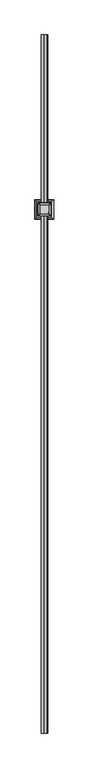
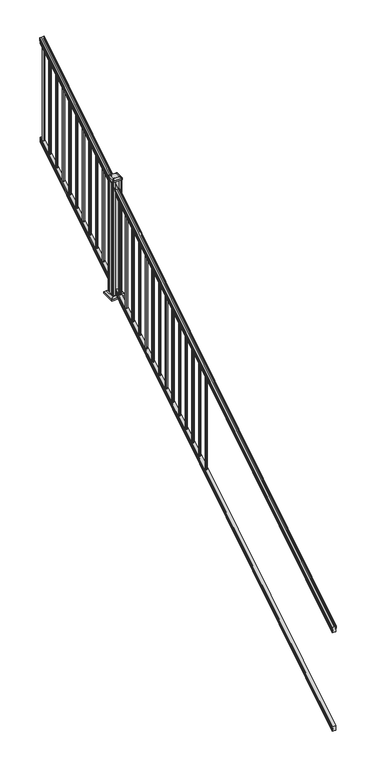
"""IFC4 building model written with IfcOpenShell, lengths in millimetres: railing geometry."""

from ifc_helpers import new_model, si_unit, point, frame, frame_2d, origin, place, context, project, spatial, polyline, circle_curve, ellipse_curve, trimmed, segment, composite_curve, outline, extrude, faceted_brep, source, transform, mapped, element, save
from ifc_brep_helpers import plane_surface, cylinder_surface, revolved_surface, extruded_surface, advanced_brep


def railing_dff19bda(model_context):
    return source(origin(), model_context, "Body", "SolidModel", [
        advanced_brep(
        [(8986.6270946, -16813.8194681, 1285.6070492), (8986.6270946, -16813.8194681, 1287.8335658), (8987.7572809, -16813.8194681, 1289.6758543), (8987.7572809, -16813.8194681, 1298.1876358), (8987.1080245, -16813.8194681, 1301.0572588), (8989.6080245, -16813.8194681, 1306.1635509), (8991.017367, -16813.8194681, 1308.1442021), (8991.419266, -16813.8194681, 1309.4469579), (8991.4192659, -16813.8194681, 1311.0274846), (8989.8658186, -16813.8194681, 1312.8593836), (8969.1942659, -16813.8194681, 1312.8593836), (8948.5227131, -16813.8194681, 1312.8593836), (8946.9692659, -16813.8194681, 1311.0274846), (8946.9692659, -16813.8194681, 1309.4469579), (8947.3711648, -16813.8194681, 1308.1442021), (8948.7805072, -16813.8194681, 1306.1635509), (8951.2805072, -16813.8194681, 1301.0572588), (8950.6312508, -16813.8194681, 1298.1876358), (8950.6312508, -16813.8194681, 1289.6758543), (8951.7614371, -16813.8194681, 1287.8335658), (8951.7614371, -16813.8194681, 1285.6070492), (8954.3352659, -16813.8194681, 1285.6070492), (8954.3352659, -16813.8194681, 1273.225537), (8953.3192659, -16813.8194681, 1272.0274214), (8953.3192659, -16813.8194681, 1257.3), (8985.0692659, -16813.8194681, 1257.3), (8985.0692659, -16813.8194681, 1271.841318), (8984.0532659, -16813.8194681, 1273.0394336), (8984.0532659, -16813.8194681, 1285.6070492), (8986.6270946, -11937.0194681, 4333.6070492), (8984.0532659, -11937.0194681, 4333.6070492), (8984.0532659, -11937.0194681, 4321.0394336), (8985.0692659, -11937.0194681, 4319.841318), (8985.0692659, -11937.0194681, 4305.3), (8953.3192659, -11937.0194681, 4305.3), (8953.3192659, -11937.0194681, 4320.0274214), (8954.3352659, -11937.0194681, 4321.225537), (8954.3352659, -11937.0194681, 4333.6070492), (8951.7614371, -11937.0194681, 4333.6070492), (8951.7614371, -11937.0194681, 4335.8335658), (8950.6312508, -11937.0194681, 4337.6758543), (8950.6312508, -11937.0194681, 4346.1876358), (8951.2805072, -11937.0194681, 4349.0572588), (8948.7805072, -11937.0194681, 4354.1635509), (8947.3711648, -11937.0194681, 4356.1442021), (8946.9692658, -11937.0194681, 4357.4469579), (8946.9692659, -11937.0194681, 4359.0274846), (8948.5227131, -11937.0194681, 4360.8593836), (8969.1942659, -11937.0194681, 4360.8593836), (8989.8658186, -11937.0194681, 4360.8593836), (8991.4192659, -11937.0194681, 4359.0274846), (8991.4192659, -11937.0194681, 4357.4469579), (8991.017367, -11937.0194681, 4356.1442021), (8989.6080245, -11937.0194681, 4354.1635509), (8987.1080245, -11937.0194681, 4349.0572588), (8987.7572809, -11937.0194681, 4346.1876358), (8987.7572809, -11937.0194681, 4337.6758543), (8986.6270946, -11937.0194681, 4335.8335658)],
        [
            (0, 1),
            (1, 2, ellipse_curve(frame((8980.3123413, -16813.8194681, 1294.6239405), z_axis=(0.0, -1.0, 0.0), x_axis=(0.0, 0.0, -1.0)), 10.0777926, 8.545951)),
            (2, 3, ellipse_curve(frame((8980.7494043, -16813.8194681, 1293.9317451), z_axis=(0.0, -1.0, 0.0), x_axis=(0.0, 0.0, -1.0)), 9.2955186, 7.882584)),
            (3, 4, ellipse_curve(frame((8991.2627284, -16813.8194681, 1300.8275077), z_axis=(0.0, 1.0, 0.0), x_axis=(0.0, 0.0, 1.0)), 4.9048088, 4.1592695)),
            (4, 5, ellipse_curve(frame((8992.550035, -16813.8194681, 1300.7563208), z_axis=(0.0, 1.0, 0.0), x_axis=(0.0, 0.0, 1.0)), 6.4245301, 5.4479907)),
            (5, 6, ellipse_curve(frame((8991.3168765, -16813.8194681, 1306.1602333), z_axis=(0.0, 1.0, 0.0), x_axis=(0.0, 0.0, 1.0)), 2.0151625, 1.7088543)),
            (6, 7, ellipse_curve(frame((8989.6999764, -16813.8194681, 1309.4469579), z_axis=(0.0, -1.0, 0.0), x_axis=(0.0, 0.0, -1.0)), 2.0274681, 1.7192895)),
            (7, 8),
            (8, 9, ellipse_curve(frame((8989.8658186, -16813.8194681, 1311.0274846), z_axis=(0.0, -1.0, 0.0), x_axis=(0.0, 0.0, -1.0)), 1.831899, 1.5534472)),
            (9, 10),
            (10, 11),
            (11, 12, ellipse_curve(frame((8948.5227131, -16813.8194681, 1311.0274846), z_axis=(0.0, -1.0, 0.0), x_axis=(0.0, 0.0, -1.0)), 1.831899, 1.5534472)),
            (12, 13),
            (13, 14, ellipse_curve(frame((8948.6885553, -16813.8194681, 1309.4469579), z_axis=(0.0, -1.0, 0.0), x_axis=(0.0, 0.0, -1.0)), 2.0274681, 1.7192895)),
            (14, 15, ellipse_curve(frame((8947.0716552, -16813.8194681, 1306.1602333), z_axis=(0.0, 1.0, 0.0), x_axis=(0.0, 0.0, 1.0)), 2.0151625, 1.7088543)),
            (15, 16, ellipse_curve(frame((8945.8384968, -16813.8194681, 1300.7563208), z_axis=(0.0, 1.0, 0.0), x_axis=(0.0, 0.0, 1.0)), 6.4245301, 5.4479907)),
            (16, 17, ellipse_curve(frame((8947.1258033, -16813.8194681, 1300.8275077), z_axis=(0.0, 1.0, 0.0), x_axis=(0.0, 0.0, 1.0)), 4.9048088, 4.1592695)),
            (17, 18, ellipse_curve(frame((8957.6391275, -16813.8194681, 1293.9317451), z_axis=(0.0, -1.0, 0.0), x_axis=(0.0, 0.0, -1.0)), 9.2955186, 7.882584)),
            (18, 19, ellipse_curve(frame((8958.0761904, -16813.8194681, 1294.6239405), z_axis=(0.0, -1.0, 0.0), x_axis=(0.0, 0.0, -1.0)), 10.0777926, 8.545951)),
            (19, 20),
            (20, 21, ellipse_curve(frame((8953.0483515, -16813.8194681, 1285.6070492), z_axis=(0.0, -1.0, 0.0), x_axis=(0.0, 0.0, -1.0)), 1.5175907, 1.2869144)),
            (21, 22),
            (22, 23),
            (23, 24),
            (24, 25),
            (25, 26),
            (26, 27),
            (27, 28),
            (28, 0, ellipse_curve(frame((8985.3401802, -16813.8194681, 1285.6070492), z_axis=(0.0, -1.0, 0.0), x_axis=(0.0, 0.0, -1.0)), 1.5175907, 1.2869144)),
            (29, 30, ellipse_curve(frame((8985.3401802, -11937.0194681, 4333.6070492), z_axis=(0.0, 1.0, 0.0), x_axis=(0.0, 0.0, -1.0)), 1.5175907, 1.2869144)),
            (30, 31),
            (31, 32),
            (32, 33),
            (33, 34),
            (34, 35),
            (35, 36),
            (36, 37),
            (37, 38, ellipse_curve(frame((8953.0483515, -11937.0194681, 4333.6070492), z_axis=(0.0, 1.0, 0.0), x_axis=(0.0, 0.0, -1.0)), 1.5175907, 1.2869144)),
            (38, 39),
            (39, 40, ellipse_curve(frame((8958.0761904, -11937.0194681, 4342.6239405), z_axis=(0.0, 1.0, 0.0), x_axis=(0.0, 0.0, -1.0)), 10.0777926, 8.545951)),
            (40, 41, ellipse_curve(frame((8957.6391275, -11937.0194681, 4341.9317451), z_axis=(0.0, 1.0, 0.0), x_axis=(0.0, 0.0, -1.0)), 9.2955186, 7.882584)),
            (41, 42, ellipse_curve(frame((8947.1258033, -11937.0194681, 4348.8275077), z_axis=(0.0, -1.0, 0.0), x_axis=(0.0, 0.0, 1.0)), 4.9048088, 4.1592695)),
            (42, 43, ellipse_curve(frame((8945.8384968, -11937.0194681, 4348.7563208), z_axis=(0.0, -1.0, 0.0), x_axis=(0.0, 0.0, 1.0)), 6.4245301, 5.4479907)),
            (43, 44, ellipse_curve(frame((8947.0716552, -11937.0194681, 4354.1602333), z_axis=(0.0, -1.0, 0.0), x_axis=(0.0, 0.0, 1.0)), 2.0151625, 1.7088543)),
            (44, 45, ellipse_curve(frame((8948.6885553, -11937.0194681, 4357.4469579), z_axis=(0.0, 1.0, 0.0), x_axis=(0.0, 0.0, -1.0)), 2.0274681, 1.7192895)),
            (45, 46),
            (46, 47, ellipse_curve(frame((8948.5227131, -11937.0194681, 4359.0274846), z_axis=(0.0, 1.0, 0.0), x_axis=(0.0, 0.0, -1.0)), 1.831899, 1.5534472)),
            (47, 48),
            (48, 49),
            (49, 50, ellipse_curve(frame((8989.8658186, -11937.0194681, 4359.0274846), z_axis=(0.0, 1.0, 0.0), x_axis=(0.0, 0.0, -1.0)), 1.831899, 1.5534472)),
            (50, 51),
            (51, 52, ellipse_curve(frame((8989.6999764, -11937.0194681, 4357.4469579), z_axis=(0.0, 1.0, 0.0), x_axis=(0.0, 0.0, -1.0)), 2.0274681, 1.7192895)),
            (52, 53, ellipse_curve(frame((8991.3168765, -11937.0194681, 4354.1602333), z_axis=(0.0, -1.0, 0.0), x_axis=(0.0, 0.0, 1.0)), 2.0151625, 1.7088543)),
            (53, 54, ellipse_curve(frame((8992.550035, -11937.0194681, 4348.7563208), z_axis=(0.0, -1.0, 0.0), x_axis=(0.0, 0.0, 1.0)), 6.4245301, 5.4479907)),
            (54, 55, ellipse_curve(frame((8991.2627284, -11937.0194681, 4348.8275077), z_axis=(0.0, -1.0, 0.0), x_axis=(0.0, 0.0, 1.0)), 4.9048088, 4.1592695)),
            (55, 56, ellipse_curve(frame((8980.7494043, -11937.0194681, 4341.9317451), z_axis=(0.0, 1.0, 0.0), x_axis=(0.0, 0.0, -1.0)), 9.2955186, 7.882584)),
            (56, 57, ellipse_curve(frame((8980.3123413, -11937.0194681, 4342.6239405), z_axis=(0.0, 1.0, 0.0), x_axis=(0.0, 0.0, -1.0)), 10.0777926, 8.545951)),
            (57, 29),
            (0, 29),
            (57, 1),
            (56, 2),
            (55, 3),
            (54, 4),
            (53, 5),
            (52, 6),
            (51, 7),
            (50, 8),
            (49, 9),
            (48, 10),
            (47, 11),
            (46, 12),
            (45, 13),
            (44, 14),
            (43, 15),
            (42, 16),
            (41, 17),
            (40, 18),
            (39, 19),
            (38, 20),
            (37, 21),
            (36, 22),
            (35, 23),
            (34, 24),
            (33, 25),
            (32, 26),
            (31, 27),
            (30, 28),
        ],
        [
            plane_surface(frame((8969.1942659, -16813.8194681, 1257.3), z_axis=(0.0, -1.0, 0.0), x_axis=(0.0, 0.0, 1.0))),
            plane_surface(frame((8969.1942659, -11937.0194681, 4305.3), z_axis=(0.0, 1.0, 0.0), x_axis=(0.0, 0.0, 1.0))),
            plane_surface(frame((8986.6270946, -16813.8194681, 1285.6070492), z_axis=(1.0, 0.0, 0.0), x_axis=(0.0, 0.8479983040051253, 0.5299989400031202))),
            cylinder_surface(frame((8980.3123413, -16830.5942728, 1284.1396876), z_axis=(0.0, -0.8479983040051254, -0.5299989400031202), x_axis=(-1.0, 0.0, 0.0)), 8.545951),
            cylinder_surface(frame((8980.7494043, -16830.2831737, 1283.641929), z_axis=(0.0, -0.8479983040051254, -0.5299989400031202), x_axis=(-1.0, 0.0, 0.0)), 7.882584),
            revolved_surface(polyline([(8987.1034589, -11934.815059650346, 4350.205262980553), (8987.1034589, -16816.023876549436, 1299.4497524191004)]), (8991.2627284, -16833.3823929, 1288.6006797), (0.0, 0.8479983040051254, 0.5299989400031202)),
            revolved_surface(polyline([(8987.1020443, -11934.132038835738, 4350.560964077184), (8987.1020443, -16816.706897352808, 1298.9516775044945)]), (8992.550035, -16833.3503988, 1288.5494891), (0.0, 0.8479983040051254, 0.5299989400031202)),
            revolved_surface(polyline([(8989.608022199998, -11936.113777099781, 4354.7262901996555), (8989.608022199998, -16814.72515912247, 1305.5941764359545)]), (8991.3168765, -16835.7791235, 1292.4354487), (0.0, 0.8479983040051254, 0.5299989400031202)),
            cylinder_surface(frame((8989.6999764, -16837.2563031, 1294.798936), z_axis=(0.0, -0.8479983040051254, -0.5299989400031202), x_axis=(-1.0, 0.0, 0.0)), 1.7192895),
            plane_surface(frame((8991.4192659, -16813.8194681, 1309.4469579), z_axis=(1.0, 0.0, 0.0), x_axis=(0.0, 0.8479983040051254, 0.5299989400031201))),
            cylinder_surface(frame((8989.8658186, -16837.9666522, 1295.9354945), z_axis=(0.0, -0.8479983040051254, -0.5299989400031202), x_axis=(-1.0, 0.0, 0.0)), 1.5534472),
            plane_surface(frame((8989.8658186, -16813.8194681, 1312.8593836), z_axis=(0.0, -0.5299989400031202, 0.8479983040051254), x_axis=(0.0, 0.8479983040051254, 0.5299989400031202))),
            plane_surface(frame((8969.1942659, -16813.8194681, 1312.8593836), z_axis=(0.0, -0.5299989400031202, 0.8479983040051254), x_axis=(0.0, 0.8479983040051254, 0.5299989400031202))),
            cylinder_surface(frame((8948.5227131, -16837.9666522, 1295.9354945), z_axis=(0.0, -0.8479983040051254, -0.5299989400031202), x_axis=(1.0, 0.0, 0.0)), 1.5534472),
            plane_surface(frame((8946.9692659, -16813.8194681, 1311.0274846), z_axis=(-1.0, 0.0, 0.0), x_axis=(0.0, 0.8479983040051254, 0.5299989400031202))),
            cylinder_surface(frame((8948.6885553, -16837.2563031, 1294.798936), z_axis=(0.0, -0.8479983040051254, -0.5299989400031202), x_axis=(1.0, 0.0, 0.0)), 1.7192895),
            revolved_surface(polyline([(8948.7805095, -11936.113777099781, 4354.7262901996555), (8948.7805095, -16814.72515912247, 1305.5941764359545)]), (8947.0716552, -16835.7791235, 1292.4354487), (0.0, 0.8479983040051254, 0.5299989400031202)),
            revolved_surface(polyline([(8951.2864875, -11934.132038835738, 4350.560964077184), (8951.2864875, -16816.706897352808, 1298.9516775044945)]), (8945.8384968, -16833.3503988, 1288.5494891), (0.0, 0.8479983040051254, 0.5299989400031202)),
            revolved_surface(polyline([(8951.2850728, -11934.815059650346, 4350.205262980553), (8951.2850728, -16816.023876549436, 1299.4497524191004)]), (8947.1258033, -16833.3823929, 1288.6006797), (0.0, 0.8479983040051254, 0.5299989400031202)),
            cylinder_surface(frame((8957.6391275, -16830.2831737, 1283.641929), z_axis=(0.0, -0.8479983040051254, -0.5299989400031202), x_axis=(1.0, 0.0, 0.0)), 7.882584),
            cylinder_surface(frame((8958.0761904, -16830.5942728, 1284.1396876), z_axis=(0.0, -0.8479983040051254, -0.5299989400031202), x_axis=(1.0, 0.0, 0.0)), 8.545951),
            plane_surface(frame((8951.7614371, -16813.8194681, 1287.8335658), z_axis=(-1.0, 0.0, 0.0), x_axis=(0.0, 0.8479983040051254, 0.5299989400031202))),
            cylinder_surface(frame((8953.0483515, -16826.5417374, 1277.6556309), z_axis=(0.0, -0.8479983040051254, -0.5299989400031202), x_axis=(1.0, 0.0, 0.0)), 1.2869144),
            plane_surface(frame((8954.3352659, -16813.8194681, 1285.6070492), z_axis=(-1.0, 0.0, 0.0), x_axis=(0.0, 0.8479983040051253, 0.5299989400031202))),
            plane_surface(frame((8954.3352659, -16813.8194681, 1273.225537), z_axis=(-0.7071067811865437, -0.37476584449788963, 0.5996253511967193), x_axis=(0.0, 0.8479983040051254, 0.5299989400031201))),
            plane_surface(frame((8953.3192659, -16813.8194681, 1272.0274214), z_axis=(-1.0, 0.0, 0.0), x_axis=(0.0, 0.8479983040051254, 0.5299989400031201))),
            plane_surface(frame((8953.3192659, -16813.8194681, 1257.3), z_axis=(0.0, 0.5299989400031201, -0.8479983040051254), x_axis=(0.0, 0.8479983040051254, 0.5299989400031201))),
            plane_surface(frame((8985.0692659, -16813.8194681, 1257.3), z_axis=(1.0, 0.0, 0.0), x_axis=(0.0, 0.8479983040051254, 0.5299989400031201))),
            plane_surface(frame((8985.0692659, -16813.8194681, 1271.841318), z_axis=(0.707106781186539, -0.37476584449789385, 0.5996253511967226), x_axis=(0.0, 0.8479983040051254, 0.5299989400031202))),
            plane_surface(frame((8984.0532659, -16813.8194681, 1273.0394336), z_axis=(1.0, 0.0, 0.0), x_axis=(0.0, 0.8479983040051253, 0.5299989400031202))),
            cylinder_surface(frame((8985.3401802, -16826.5417374, 1277.6556309), z_axis=(0.0, -0.8479983040051254, -0.5299989400031202), x_axis=(-1.0, 0.0, 0.0)), 1.2869144),
        ],
        [
            (0, [[1, 2, 3, 4, 5, 6, 7, 8, 9, 10, 11, 12, 13, 14, 15, 16, 17, 18, 19, 20, 21, 22, 23, 24, 25, 26, 27, 28, 29]]),
            (1, [[30, 31, 32, 33, 34, 35, 36, 37, 38, 39, 40, 41, 42, 43, 44, 45, 46, 47, 48, 49, 50, 51, 52, 53, 54, 55, 56, 57, 58]]),
            (2, [[-1, 59, -58, 60]]),
            (3, [[-2, -60, -57, 61]]),
            (4, [[-3, -61, -56, 62]]),
            (5, [[-4, -62, -55, 63]]),
            (6, [[-5, -63, -54, 64]]),
            (7, [[-6, -64, -53, 65]]),
            (8, [[-7, -65, -52, 66]]),
            (9, [[-8, -66, -51, 67]]),
            (10, [[-9, -67, -50, 68]]),
            (11, [[-10, -68, -49, 69]]),
            (12, [[-11, -69, -48, 70]]),
            (13, [[-12, -70, -47, 71]]),
            (14, [[-13, -71, -46, 72]]),
            (15, [[-14, -72, -45, 73]]),
            (16, [[-15, -73, -44, 74]]),
            (17, [[-16, -74, -43, 75]]),
            (18, [[-17, -75, -42, 76]]),
            (19, [[-18, -76, -41, 77]]),
            (20, [[-19, -77, -40, 78]]),
            (21, [[-20, -78, -39, 79]]),
            (22, [[-21, -79, -38, 80]]),
            (23, [[-22, -80, -37, 81]]),
            (24, [[-23, -81, -36, 82]]),
            (25, [[-24, -82, -35, 83]]),
            (26, [[-25, -83, -34, 84]]),
            (27, [[-26, -84, -33, 85]]),
            (28, [[-27, -85, -32, 86]]),
            (29, [[-28, -86, -31, 87]]),
            (30, [[-29, -87, -30, -59]]),
        ],
    ),
        faceted_brep([(8985.1067528, -16813.8194681, 268.8045079), (8984.0907528, -16813.8194681, 270.338026), (8984.0907528, -16813.8194681, 282.5545048), (8985.1067528, -16813.8194681, 284.1444579), (8985.1067528, -16813.8194681, 298.9244744), (8953.3567528, -16813.8194681, 298.9244744), (8953.3567528, -16813.8194681, 284.1248272), (8954.3727528, -16813.8194681, 282.5348741), (8954.3727528, -16813.8194681, 270.3748303), (8953.3567528, -16813.8194681, 268.7848772), (8953.3567528, -16813.8194681, 254.0), (8985.1067528, -16813.8194681, 254.0), (8985.1067528, -11937.0194681, 3316.8045079), (8985.1067528, -11937.0194681, 3302.0), (8953.3567528, -11937.0194681, 3302.0), (8953.3567528, -11937.0194681, 3316.7848772), (8954.3727528, -11937.0194681, 3318.3748303), (8954.3727528, -11937.0194681, 3330.5348741), (8953.3567528, -11937.0194681, 3332.1248272), (8953.3567528, -11937.0194681, 3346.9244744), (8985.1067528, -11937.0194681, 3346.9244744), (8985.1067528, -11937.0194681, 3332.1444579), (8984.0907528, -11937.0194681, 3330.5545048), (8984.0907528, -11937.0194681, 3318.338026)], [[[0, 1, 2, 3, 4, 5, 6, 7, 8, 9, 10, 11]], [[12, 13, 14, 15, 16, 17, 18, 19, 20, 21, 22, 23]], [[1, 0, 12, 23]], [[2, 1, 23, 22]], [[3, 2, 22, 21]], [[4, 3, 21, 20]], [[5, 4, 20, 19]], [[6, 5, 19, 18]], [[7, 6, 18, 17]], [[8, 7, 17, 16]], [[9, 8, 16, 15]], [[10, 9, 15, 14]], [[11, 10, 14, 13]], [[0, 11, 13, 12]]]),
        extrude(outline(composite_curve([segment(trimmed(circle_curve(frame_2d((8969.1942659, -11964.0069681)), 9.525), [point((8978.7192659, -11964.0069681))], [point((8969.1942659, -11973.5319681))], False, "CARTESIAN"), True, "CONTINUOUS"), segment(trimmed(circle_curve(frame_2d((8969.1942659, -11964.0069681)), 9.525), [point((8969.1942659, -11973.5319681))], [point((8959.6692659, -11964.0069681))], False, "CARTESIAN"), True, "CONTINUOUS"), segment(trimmed(circle_curve(frame_2d((8969.1942659, -11964.0069681)), 9.525), [point((8959.6692659, -11964.0069681))], [point((8969.1942659, -11954.4819681))], False, "CARTESIAN"), True, "CONTINUOUS"), segment(trimmed(circle_curve(frame_2d((8969.1942659, -11964.0069681)), 9.525), [point((8969.1942659, -11954.4819681))], [point((8978.7192659, -11964.0069681))], False, "CARTESIAN"), True, "CONTINUOUS")], self_intersect=False)), frame((0.0, 0.0, 3323.2286906), z_axis=(0.0, 0.0, 1.0), x_axis=(1.0, 0.0, 0.0)), (0.0, 0.0, 1.0), 965.2041219),
        extrude(outline(composite_curve([segment(trimmed(circle_curve(frame_2d((8969.1942659, -12075.1319681)), 9.525), [point((8978.7192659, -12075.1319681))], [point((8969.1942659, -12084.6569681))], False, "CARTESIAN"), True, "CONTINUOUS"), segment(trimmed(circle_curve(frame_2d((8969.1942659, -12075.1319681)), 9.525), [point((8969.1942659, -12084.6569681))], [point((8959.6692659, -12075.1319681))], False, "CARTESIAN"), True, "CONTINUOUS"), segment(trimmed(circle_curve(frame_2d((8969.1942659, -12075.1319681)), 9.525), [point((8959.6692659, -12075.1319681))], [point((8969.1942659, -12065.6069681))], False, "CARTESIAN"), True, "CONTINUOUS"), segment(trimmed(circle_curve(frame_2d((8969.1942659, -12075.1319681)), 9.525), [point((8969.1942659, -12065.6069681))], [point((8978.7192659, -12075.1319681))], False, "CARTESIAN"), True, "CONTINUOUS")], self_intersect=False)), frame((0.0, 0.0, 3253.7755656), z_axis=(0.0, 0.0, 1.0), x_axis=(1.0, 0.0, 0.0)), (0.0, 0.0, 1.0), 965.2041219),
        extrude(outline(composite_curve([segment(trimmed(circle_curve(frame_2d((8969.1942659, -12186.2569681)), 9.525), [point((8978.7192659, -12186.2569681))], [point((8969.1942659, -12195.7819681))], False, "CARTESIAN"), True, "CONTINUOUS"), segment(trimmed(circle_curve(frame_2d((8969.1942659, -12186.2569681)), 9.525), [point((8969.1942659, -12195.7819681))], [point((8959.6692659, -12186.2569681))], False, "CARTESIAN"), True, "CONTINUOUS"), segment(trimmed(circle_curve(frame_2d((8969.1942659, -12186.2569681)), 9.525), [point((8959.6692659, -12186.2569681))], [point((8969.1942659, -12176.7319681))], False, "CARTESIAN"), True, "CONTINUOUS"), segment(trimmed(circle_curve(frame_2d((8969.1942659, -12186.2569681)), 9.525), [point((8969.1942659, -12176.7319681))], [point((8978.7192659, -12186.2569681))], False, "CARTESIAN"), True, "CONTINUOUS")], self_intersect=False)), frame((0.0, 0.0, 3184.3224406), z_axis=(0.0, 0.0, 1.0), x_axis=(1.0, 0.0, 0.0)), (0.0, 0.0, 1.0), 965.2041219),
        extrude(outline(composite_curve([segment(trimmed(circle_curve(frame_2d((8969.1942659, -12297.3819681)), 9.525), [point((8978.7192659, -12297.3819681))], [point((8969.1942659, -12306.9069681))], False, "CARTESIAN"), True, "CONTINUOUS"), segment(trimmed(circle_curve(frame_2d((8969.1942659, -12297.3819681)), 9.525), [point((8969.1942659, -12306.9069681))], [point((8959.6692659, -12297.3819681))], False, "CARTESIAN"), True, "CONTINUOUS"), segment(trimmed(circle_curve(frame_2d((8969.1942659, -12297.3819681)), 9.525), [point((8959.6692659, -12297.3819681))], [point((8969.1942659, -12287.8569681))], False, "CARTESIAN"), True, "CONTINUOUS"), segment(trimmed(circle_curve(frame_2d((8969.1942659, -12297.3819681)), 9.525), [point((8969.1942659, -12287.8569681))], [point((8978.7192659, -12297.3819681))], False, "CARTESIAN"), True, "CONTINUOUS")], self_intersect=False)), frame((0.0, 0.0, 3114.8693156), z_axis=(0.0, 0.0, 1.0), x_axis=(1.0, 0.0, 0.0)), (0.0, 0.0, 1.0), 965.2041219),
        extrude(outline(composite_curve([segment(trimmed(circle_curve(frame_2d((8969.1942659, -12408.5069681)), 9.525), [point((8978.7192659, -12408.5069681))], [point((8969.1942659, -12418.0319681))], False, "CARTESIAN"), True, "CONTINUOUS"), segment(trimmed(circle_curve(frame_2d((8969.1942659, -12408.5069681)), 9.525), [point((8969.1942659, -12418.0319681))], [point((8959.6692659, -12408.5069681))], False, "CARTESIAN"), True, "CONTINUOUS"), segment(trimmed(circle_curve(frame_2d((8969.1942659, -12408.5069681)), 9.525), [point((8959.6692659, -12408.5069681))], [point((8969.1942659, -12398.9819681))], False, "CARTESIAN"), True, "CONTINUOUS"), segment(trimmed(circle_curve(frame_2d((8969.1942659, -12408.5069681)), 9.525), [point((8969.1942659, -12398.9819681))], [point((8978.7192659, -12408.5069681))], False, "CARTESIAN"), True, "CONTINUOUS")], self_intersect=False)), frame((0.0, 0.0, 3045.4161906), z_axis=(0.0, 0.0, 1.0), x_axis=(1.0, 0.0, 0.0)), (0.0, 0.0, 1.0), 965.2041219),
        extrude(outline(composite_curve([segment(trimmed(circle_curve(frame_2d((8969.1942659, -12519.6319681)), 9.525), [point((8978.7192659, -12519.6319681))], [point((8969.1942659, -12529.1569681))], False, "CARTESIAN"), True, "CONTINUOUS"), segment(trimmed(circle_curve(frame_2d((8969.1942659, -12519.6319681)), 9.525), [point((8969.1942659, -12529.1569681))], [point((8959.6692659, -12519.6319681))], False, "CARTESIAN"), True, "CONTINUOUS"), segment(trimmed(circle_curve(frame_2d((8969.1942659, -12519.6319681)), 9.525), [point((8959.6692659, -12519.6319681))], [point((8969.1942659, -12510.1069681))], False, "CARTESIAN"), True, "CONTINUOUS"), segment(trimmed(circle_curve(frame_2d((8969.1942659, -12519.6319681)), 9.525), [point((8969.1942659, -12510.1069681))], [point((8978.7192659, -12519.6319681))], False, "CARTESIAN"), True, "CONTINUOUS")], self_intersect=False)), frame((0.0, 0.0, 2975.9630656), z_axis=(0.0, 0.0, 1.0), x_axis=(1.0, 0.0, 0.0)), (0.0, 0.0, 1.0), 965.2041219),
        extrude(outline(composite_curve([segment(trimmed(circle_curve(frame_2d((8969.1942659, -12630.7569681)), 9.525), [point((8978.7192659, -12630.7569681))], [point((8969.1942659, -12640.2819681))], False, "CARTESIAN"), True, "CONTINUOUS"), segment(trimmed(circle_curve(frame_2d((8969.1942659, -12630.7569681)), 9.525), [point((8969.1942659, -12640.2819681))], [point((8959.6692659, -12630.7569681))], False, "CARTESIAN"), True, "CONTINUOUS"), segment(trimmed(circle_curve(frame_2d((8969.1942659, -12630.7569681)), 9.525), [point((8959.6692659, -12630.7569681))], [point((8969.1942659, -12621.2319681))], False, "CARTESIAN"), True, "CONTINUOUS"), segment(trimmed(circle_curve(frame_2d((8969.1942659, -12630.7569681)), 9.525), [point((8969.1942659, -12621.2319681))], [point((8978.7192659, -12630.7569681))], False, "CARTESIAN"), True, "CONTINUOUS")], self_intersect=False)), frame((0.0, 0.0, 2906.5099406), z_axis=(0.0, 0.0, 1.0), x_axis=(1.0, 0.0, 0.0)), (0.0, 0.0, 1.0), 965.2041219),
        extrude(outline(composite_curve([segment(trimmed(circle_curve(frame_2d((8969.1942659, -12741.8819681)), 9.525), [point((8978.7192659, -12741.8819681))], [point((8969.1942659, -12751.4069681))], False, "CARTESIAN"), True, "CONTINUOUS"), segment(trimmed(circle_curve(frame_2d((8969.1942659, -12741.8819681)), 9.525), [point((8969.1942659, -12751.4069681))], [point((8959.6692659, -12741.8819681))], False, "CARTESIAN"), True, "CONTINUOUS"), segment(trimmed(circle_curve(frame_2d((8969.1942659, -12741.8819681)), 9.525), [point((8959.6692659, -12741.8819681))], [point((8969.1942659, -12732.3569681))], False, "CARTESIAN"), True, "CONTINUOUS"), segment(trimmed(circle_curve(frame_2d((8969.1942659, -12741.8819681)), 9.525), [point((8969.1942659, -12732.3569681))], [point((8978.7192659, -12741.8819681))], False, "CARTESIAN"), True, "CONTINUOUS")], self_intersect=False)), frame((0.0, 0.0, 2837.0568156), z_axis=(0.0, 0.0, 1.0), x_axis=(1.0, 0.0, 0.0)), (0.0, 0.0, 1.0), 965.2041219),
        extrude(outline(composite_curve([segment(trimmed(circle_curve(frame_2d((8969.1942659, -12853.0069681)), 9.525), [point((8978.7192659, -12853.0069681))], [point((8969.1942659, -12862.5319681))], False, "CARTESIAN"), True, "CONTINUOUS"), segment(trimmed(circle_curve(frame_2d((8969.1942659, -12853.0069681)), 9.525), [point((8969.1942659, -12862.5319681))], [point((8959.6692659, -12853.0069681))], False, "CARTESIAN"), True, "CONTINUOUS"), segment(trimmed(circle_curve(frame_2d((8969.1942659, -12853.0069681)), 9.525), [point((8959.6692659, -12853.0069681))], [point((8969.1942659, -12843.4819681))], False, "CARTESIAN"), True, "CONTINUOUS"), segment(trimmed(circle_curve(frame_2d((8969.1942659, -12853.0069681)), 9.525), [point((8969.1942659, -12843.4819681))], [point((8978.7192659, -12853.0069681))], False, "CARTESIAN"), True, "CONTINUOUS")], self_intersect=False)), frame((0.0, 0.0, 2767.6036906), z_axis=(0.0, 0.0, 1.0), x_axis=(1.0, 0.0, 0.0)), (0.0, 0.0, 1.0), 965.2041219),
        extrude(outline(composite_curve([segment(trimmed(circle_curve(frame_2d((8969.1942659, -12964.1319681)), 9.525), [point((8978.7192659, -12964.1319681))], [point((8969.1942659, -12973.6569681))], False, "CARTESIAN"), True, "CONTINUOUS"), segment(trimmed(circle_curve(frame_2d((8969.1942659, -12964.1319681)), 9.525), [point((8969.1942659, -12973.6569681))], [point((8959.6692659, -12964.1319681))], False, "CARTESIAN"), True, "CONTINUOUS"), segment(trimmed(circle_curve(frame_2d((8969.1942659, -12964.1319681)), 9.525), [point((8959.6692659, -12964.1319681))], [point((8969.1942659, -12954.6069681))], False, "CARTESIAN"), True, "CONTINUOUS"), segment(trimmed(circle_curve(frame_2d((8969.1942659, -12964.1319681)), 9.525), [point((8969.1942659, -12954.6069681))], [point((8978.7192659, -12964.1319681))], False, "CARTESIAN"), True, "CONTINUOUS")], self_intersect=False)), frame((0.0, 0.0, 2698.1505656), z_axis=(0.0, 0.0, 1.0), x_axis=(1.0, 0.0, 0.0)), (0.0, 0.0, 1.0), 965.2041219),
        extrude(outline(composite_curve([segment(trimmed(circle_curve(frame_2d((8969.1942659, -13075.2569681)), 9.525), [point((8978.7192659, -13075.2569681))], [point((8969.1942659, -13084.7819681))], False, "CARTESIAN"), True, "CONTINUOUS"), segment(trimmed(circle_curve(frame_2d((8969.1942659, -13075.2569681)), 9.525), [point((8969.1942659, -13084.7819681))], [point((8959.6692659, -13075.2569681))], False, "CARTESIAN"), True, "CONTINUOUS"), segment(trimmed(circle_curve(frame_2d((8969.1942659, -13075.2569681)), 9.525), [point((8959.6692659, -13075.2569681))], [point((8969.1942659, -13065.7319681))], False, "CARTESIAN"), True, "CONTINUOUS"), segment(trimmed(circle_curve(frame_2d((8969.1942659, -13075.2569681)), 9.525), [point((8969.1942659, -13065.7319681))], [point((8978.7192659, -13075.2569681))], False, "CARTESIAN"), True, "CONTINUOUS")], self_intersect=False)), frame((0.0, 0.0, 2628.6974406), z_axis=(0.0, 0.0, 1.0), x_axis=(1.0, 0.0, 0.0)), (0.0, 0.0, 1.0), 965.2041219),
        faceted_brep([(9021.7802034, -13208.8054056, 2505.075), (9021.7802034, -13103.6335306, 2505.075), (8916.6083284, -13103.6335306, 2505.075), (8916.6083284, -13208.8054056, 2505.075), (9035.8196565, -13222.8448587, 2491.74), (8902.5688753, -13222.8448587, 2491.74), (8902.5688753, -13089.5940775, 2491.74), (9035.8196565, -13089.5940775, 2491.74)], [[[0, 1, 2, 3]], [[4, 5, 6, 7]], [[4, 0, 3, 5]], [[5, 3, 2, 6]], [[6, 2, 1, 7]], [[7, 1, 0, 4]]]),
        extrude(outline(polyline([(9035.8196565, -13222.8448587), (8902.5688753, -13222.8448587), (8902.5688753, -13089.5940775), (9035.8196565, -13089.5940775), (9035.8196565, -13222.8448587)])), frame((0.0, 0.0, 2476.5), z_axis=(0.0, 0.0, 1.0), x_axis=(1.0, 0.0, 0.0)), (0.0, 0.0, 1.0), 15.24),
        advanced_brep(
        [(8943.3973909, -13185.1913431, 3688.839263), (8994.9911409, -13185.1913431, 3688.839263), (8998.1661409, -13182.0163431, 3688.839263), (8998.1661409, -13130.4225931, 3688.839263), (8994.9911409, -13127.2475931, 3688.839263), (8943.3973909, -13127.2475931, 3688.839263), (8940.2223909, -13130.4225931, 3688.839263), (8940.2223909, -13182.0163431, 3688.839263), (8927.1255159, -13201.4632181, 3677.536263), (8923.9505159, -13198.2882181, 3677.536263), (8923.9505159, -13114.1507181, 3677.536263), (8927.1255159, -13110.9757181, 3677.536263), (9011.2630159, -13110.9757181, 3677.536263), (9014.4380159, -13114.1507181, 3677.536263), (9014.4380159, -13198.2882181, 3677.536263), (9011.2630159, -13201.4632181, 3677.536263)],
        [
            (0, 1),
            (1, 2, circle_curve(frame((8994.9911409, -13182.0163431, 3688.839263), z_axis=(0.0, 0.0, 1.0), x_axis=(0.0, 1.0, 0.0)), 3.175)),
            (2, 3),
            (3, 4, circle_curve(frame((8994.9911409, -13130.4225931, 3688.839263), z_axis=(0.0, 0.0, 1.0), x_axis=(0.0, 1.0, 0.0)), 3.175)),
            (4, 5),
            (5, 6, circle_curve(frame((8943.3973909, -13130.4225931, 3688.839263), z_axis=(0.0, 0.0, 1.0), x_axis=(0.0, 1.0, 0.0)), 3.175)),
            (6, 7),
            (7, 0, circle_curve(frame((8943.3973909, -13182.0163431, 3688.839263), z_axis=(0.0, 0.0, 1.0), x_axis=(0.0, 1.0, 0.0)), 3.175)),
            (8, 9, circle_curve(frame((8927.1255159, -13198.2882181, 3677.536263), z_axis=(0.0, 0.0, -1.0), x_axis=(0.0, 1.0, 0.0)), 3.175)),
            (9, 10),
            (10, 11, circle_curve(frame((8927.1255159, -13114.1507181, 3677.536263), z_axis=(0.0, 0.0, -1.0), x_axis=(0.0, 1.0, 0.0)), 3.175)),
            (11, 12),
            (12, 13, circle_curve(frame((9011.2630159, -13114.1507181, 3677.536263), z_axis=(0.0, 0.0, -1.0), x_axis=(0.0, 1.0, 0.0)), 3.175)),
            (13, 14),
            (14, 15, circle_curve(frame((9011.2630159, -13198.2882181, 3677.536263), z_axis=(0.0, 0.0, -1.0), x_axis=(0.0, 1.0, 0.0)), 3.175)),
            (15, 8),
            (8, 0),
            (7, 9),
            (6, 10),
            (5, 11),
            (4, 12),
            (3, 13),
            (2, 14),
            (1, 15),
        ],
        [
            plane_surface(frame((8969.1942659, -13156.2194681, 3688.839263), z_axis=(0.0, 0.0, 1.0), x_axis=(-1.0, 0.0, 0.0))),
            plane_surface(frame((8969.1942659, -13156.2194681, 3677.536263), z_axis=(0.0, 0.0, -1.0), x_axis=(-1.0, 0.0, 0.0))),
            extruded_surface(trimmed(circle_curve(frame((8943.3973909, -13182.0163431, 3688.839263), z_axis=(0.0, 0.0, -1.0), x_axis=(0.0, 1.0, 0.0)), 3.175), [point((8943.3973909, -13185.1913431, 3688.839263))], [point((8940.2223909, -13182.0163431, 3688.839263))], True, "CARTESIAN"), (-16.271875000000364, -16.271875000000364, -11.302999999999884), 25.63797263886657),
            plane_surface(frame((8923.9505159, -13156.2194681, 3677.536263), z_axis=(-0.5705009161540778, 0.0, 0.8212969649690408), x_axis=(0.0, 1.0, 0.0))),
            extruded_surface(trimmed(circle_curve(frame((8943.3973909, -13130.4225931, 3688.839263), z_axis=(0.0, 0.0, -1.0), x_axis=(0.0, 1.0, 0.0)), 3.175), [point((8940.2223909, -13130.4225931, 3688.839263))], [point((8943.3973909, -13127.2475931, 3688.839263))], True, "CARTESIAN"), (-16.271875000000364, 16.271875000000364, -11.302999999999884), 25.63797263886657),
            plane_surface(frame((8969.1942659, -13110.9757181, 3677.536263), z_axis=(0.0, 0.5705009161540291, 0.8212969649690747), x_axis=(1.0, 0.0, 0.0))),
            extruded_surface(trimmed(circle_curve(frame((8994.9911409, -13130.4225931, 3688.839263), z_axis=(0.0, 0.0, -1.0), x_axis=(0.0, 1.0, 0.0)), 3.175), [point((8994.9911409, -13127.2475931, 3688.839263))], [point((8998.1661409, -13130.4225931, 3688.839263))], True, "CARTESIAN"), (16.271875000000364, 16.271875000000364, -11.302999999999884), 25.63797263886657),
            plane_surface(frame((9014.4380159, -13156.2194681, 3677.536263), z_axis=(0.5705009161540142, 0.0, 0.8212969649690851), x_axis=(0.0, -1.0, 0.0))),
            extruded_surface(trimmed(circle_curve(frame((8994.9911409, -13182.0163431, 3688.839263), z_axis=(0.0, 0.0, -1.0), x_axis=(0.0, 1.0, 0.0)), 3.175), [point((8998.1661409, -13182.0163431, 3688.839263))], [point((8994.9911409, -13185.1913431, 3688.839263))], True, "CARTESIAN"), (16.271875000000364, -16.271875000000364, -11.302999999999884), 25.63797263886657),
            plane_surface(frame((8969.1942659, -13201.4632181, 3677.536263), z_axis=(0.0, -0.570500916154034, 0.8212969649690713), x_axis=(-1.0, 0.0, 0.0))),
        ],
        [
            (0, [[1, 2, 3, 4, 5, 6, 7, 8]]),
            (1, [[9, 10, 11, 12, 13, 14, 15, 16]]),
            (2, [[17, -8, 18, -9]]),
            (3, [[-18, -7, 19, -10]]),
            (4, [[-19, -6, 20, -11]]),
            (5, [[-20, -5, 21, -12]]),
            (6, [[-21, -4, 22, -13]]),
            (7, [[-22, -3, 23, -14]]),
            (8, [[-23, -2, 24, -15]]),
            (9, [[-24, -1, -17, -16]]),
        ],
    ),
        extrude(outline(composite_curve([segment(trimmed(circle_curve(frame_2d((8927.1255159, -13198.2882181)), 3.175), [point((8927.1255159, -13201.4632181))], [point((8923.9505159, -13198.2882181))], False, "CARTESIAN"), True, "CONTINUOUS"), segment(polyline([(8923.9505159, -13198.2882181), (8923.9505159, -13114.1507181)]), True, "CONTINUOUS"), segment(trimmed(circle_curve(frame_2d((8927.1255159, -13114.1507181)), 3.175), [point((8923.9505159, -13114.1507181))], [point((8927.1255159, -13110.9757181))], False, "CARTESIAN"), True, "CONTINUOUS"), segment(polyline([(8927.1255159, -13110.9757181), (9011.2630159, -13110.9757181)]), True, "CONTINUOUS"), segment(trimmed(circle_curve(frame_2d((9011.2630159, -13114.1507181)), 3.175), [point((9011.2630159, -13110.9757181))], [point((9014.4380159, -13114.1507181))], False, "CARTESIAN"), True, "CONTINUOUS"), segment(polyline([(9014.4380159, -13114.1507181), (9014.4380159, -13198.2882181)]), True, "CONTINUOUS"), segment(trimmed(circle_curve(frame_2d((9011.2630159, -13198.2882181)), 3.175), [point((9014.4380159, -13198.2882181))], [point((9011.2630159, -13201.4632181))], False, "CARTESIAN"), True, "CONTINUOUS"), segment(polyline([(9011.2630159, -13201.4632181), (8927.1255159, -13201.4632181)]), True, "CONTINUOUS")], self_intersect=False)), frame((0.0, 0.0, 3660.264263), z_axis=(0.0, 0.0, 1.0), x_axis=(1.0, 0.0, 0.0)), (0.0, 0.0, 1.0), 17.272),
        extrude(outline(polyline([(8929.5067659, -13197.4944681), (8927.9192659, -13195.9069681), (8927.9192659, -13176.2854681), (8929.5067659, -13175.5234681), (8929.5067659, -13136.9154681), (8927.9192659, -13136.1534681), (8927.9192659, -13116.5319681), (8929.5067659, -13114.9444681), (8949.1282659, -13114.9444681), (8949.8902659, -13116.5319681), (8988.4982659, -13116.5319681), (8989.2602659, -13114.9444681), (9008.8817659, -13114.9444681), (9010.4692659, -13116.5319681), (9010.4692659, -13136.1534681), (9008.8817659, -13136.9154681), (9008.8817659, -13175.5234681), (9010.4692659, -13176.2854681), (9010.4692659, -13195.9069681), (9008.8817659, -13197.4944681), (8989.2602659, -13197.4944681), (8988.4982659, -13195.9069681), (8949.8902659, -13195.9069681), (8949.1282659, -13197.4944681), (8929.5067659, -13197.4944681)])), frame((0.0, 0.0, 2476.5), z_axis=(0.0, 0.0, 1.0), x_axis=(1.0, 0.0, 0.0)), (0.0, 0.0, 1.0), 1183.764263),
        extrude(outline(composite_curve([segment(trimmed(circle_curve(frame_2d((8969.1942659, -13237.1819681)), 9.525), [point((8978.7192659, -13237.1819681))], [point((8969.1942659, -13246.7069681))], False, "CARTESIAN"), True, "CONTINUOUS"), segment(trimmed(circle_curve(frame_2d((8969.1942659, -13237.1819681)), 9.525), [point((8969.1942659, -13246.7069681))], [point((8959.6692659, -13237.1819681))], False, "CARTESIAN"), True, "CONTINUOUS"), segment(trimmed(circle_curve(frame_2d((8969.1942659, -13237.1819681)), 9.525), [point((8959.6692659, -13237.1819681))], [point((8969.1942659, -13227.6569681))], False, "CARTESIAN"), True, "CONTINUOUS"), segment(trimmed(circle_curve(frame_2d((8969.1942659, -13237.1819681)), 9.525), [point((8969.1942659, -13227.6569681))], [point((8978.7192659, -13237.1819681))], False, "CARTESIAN"), True, "CONTINUOUS")], self_intersect=False)), frame((0.0, 0.0, 2527.4943156), z_axis=(0.0, 0.0, 1.0), x_axis=(1.0, 0.0, 0.0)), (0.0, 0.0, 1.0), 965.2041219),
        extrude(outline(composite_curve([segment(trimmed(circle_curve(frame_2d((8969.1942659, -13348.3069681)), 9.525), [point((8978.7192659, -13348.3069681))], [point((8969.1942659, -13357.8319681))], False, "CARTESIAN"), True, "CONTINUOUS"), segment(trimmed(circle_curve(frame_2d((8969.1942659, -13348.3069681)), 9.525), [point((8969.1942659, -13357.8319681))], [point((8959.6692659, -13348.3069681))], False, "CARTESIAN"), True, "CONTINUOUS"), segment(trimmed(circle_curve(frame_2d((8969.1942659, -13348.3069681)), 9.525), [point((8959.6692659, -13348.3069681))], [point((8969.1942659, -13338.7819681))], False, "CARTESIAN"), True, "CONTINUOUS"), segment(trimmed(circle_curve(frame_2d((8969.1942659, -13348.3069681)), 9.525), [point((8969.1942659, -13338.7819681))], [point((8978.7192659, -13348.3069681))], False, "CARTESIAN"), True, "CONTINUOUS")], self_intersect=False)), frame((0.0, 0.0, 2458.0411906), z_axis=(0.0, 0.0, 1.0), x_axis=(1.0, 0.0, 0.0)), (0.0, 0.0, 1.0), 965.2041219),
        extrude(outline(composite_curve([segment(trimmed(circle_curve(frame_2d((8969.1942659, -13459.4319681)), 9.525), [point((8978.7192659, -13459.4319681))], [point((8969.1942659, -13468.9569681))], False, "CARTESIAN"), True, "CONTINUOUS"), segment(trimmed(circle_curve(frame_2d((8969.1942659, -13459.4319681)), 9.525), [point((8969.1942659, -13468.9569681))], [point((8959.6692659, -13459.4319681))], False, "CARTESIAN"), True, "CONTINUOUS"), segment(trimmed(circle_curve(frame_2d((8969.1942659, -13459.4319681)), 9.525), [point((8959.6692659, -13459.4319681))], [point((8969.1942659, -13449.9069681))], False, "CARTESIAN"), True, "CONTINUOUS"), segment(trimmed(circle_curve(frame_2d((8969.1942659, -13459.4319681)), 9.525), [point((8969.1942659, -13449.9069681))], [point((8978.7192659, -13459.4319681))], False, "CARTESIAN"), True, "CONTINUOUS")], self_intersect=False)), frame((0.0, 0.0, 2388.5880656), z_axis=(0.0, 0.0, 1.0), x_axis=(1.0, 0.0, 0.0)), (0.0, 0.0, 1.0), 965.2041219),
        extrude(outline(composite_curve([segment(trimmed(circle_curve(frame_2d((8969.1942659, -13570.5569681)), 9.525), [point((8978.7192659, -13570.5569681))], [point((8969.1942659, -13580.0819681))], False, "CARTESIAN"), True, "CONTINUOUS"), segment(trimmed(circle_curve(frame_2d((8969.1942659, -13570.5569681)), 9.525), [point((8969.1942659, -13580.0819681))], [point((8959.6692659, -13570.5569681))], False, "CARTESIAN"), True, "CONTINUOUS"), segment(trimmed(circle_curve(frame_2d((8969.1942659, -13570.5569681)), 9.525), [point((8959.6692659, -13570.5569681))], [point((8969.1942659, -13561.0319681))], False, "CARTESIAN"), True, "CONTINUOUS"), segment(trimmed(circle_curve(frame_2d((8969.1942659, -13570.5569681)), 9.525), [point((8969.1942659, -13561.0319681))], [point((8978.7192659, -13570.5569681))], False, "CARTESIAN"), True, "CONTINUOUS")], self_intersect=False)), frame((0.0, 0.0, 2319.1349406), z_axis=(0.0, 0.0, 1.0), x_axis=(1.0, 0.0, 0.0)), (0.0, 0.0, 1.0), 965.2041219),
        extrude(outline(composite_curve([segment(trimmed(circle_curve(frame_2d((8969.1942659, -13681.6819681)), 9.525), [point((8978.7192659, -13681.6819681))], [point((8969.1942659, -13691.2069681))], False, "CARTESIAN"), True, "CONTINUOUS"), segment(trimmed(circle_curve(frame_2d((8969.1942659, -13681.6819681)), 9.525), [point((8969.1942659, -13691.2069681))], [point((8959.6692659, -13681.6819681))], False, "CARTESIAN"), True, "CONTINUOUS"), segment(trimmed(circle_curve(frame_2d((8969.1942659, -13681.6819681)), 9.525), [point((8959.6692659, -13681.6819681))], [point((8969.1942659, -13672.1569681))], False, "CARTESIAN"), True, "CONTINUOUS"), segment(trimmed(circle_curve(frame_2d((8969.1942659, -13681.6819681)), 9.525), [point((8969.1942659, -13672.1569681))], [point((8978.7192659, -13681.6819681))], False, "CARTESIAN"), True, "CONTINUOUS")], self_intersect=False)), frame((0.0, 0.0, 2249.6818156), z_axis=(0.0, 0.0, 1.0), x_axis=(1.0, 0.0, 0.0)), (0.0, 0.0, 1.0), 965.2041219),
        extrude(outline(composite_curve([segment(trimmed(circle_curve(frame_2d((8969.1942659, -13792.8069681)), 9.525), [point((8978.7192659, -13792.8069681))], [point((8969.1942659, -13802.3319681))], False, "CARTESIAN"), True, "CONTINUOUS"), segment(trimmed(circle_curve(frame_2d((8969.1942659, -13792.8069681)), 9.525), [point((8969.1942659, -13802.3319681))], [point((8959.6692659, -13792.8069681))], False, "CARTESIAN"), True, "CONTINUOUS"), segment(trimmed(circle_curve(frame_2d((8969.1942659, -13792.8069681)), 9.525), [point((8959.6692659, -13792.8069681))], [point((8969.1942659, -13783.2819681))], False, "CARTESIAN"), True, "CONTINUOUS"), segment(trimmed(circle_curve(frame_2d((8969.1942659, -13792.8069681)), 9.525), [point((8969.1942659, -13783.2819681))], [point((8978.7192659, -13792.8069681))], False, "CARTESIAN"), True, "CONTINUOUS")], self_intersect=False)), frame((0.0, 0.0, 2180.2286906), z_axis=(0.0, 0.0, 1.0), x_axis=(1.0, 0.0, 0.0)), (0.0, 0.0, 1.0), 965.2041219),
        extrude(outline(composite_curve([segment(trimmed(circle_curve(frame_2d((8969.1942659, -13903.9319681)), 9.525), [point((8978.7192659, -13903.9319681))], [point((8969.1942659, -13913.4569681))], False, "CARTESIAN"), True, "CONTINUOUS"), segment(trimmed(circle_curve(frame_2d((8969.1942659, -13903.9319681)), 9.525), [point((8969.1942659, -13913.4569681))], [point((8959.6692659, -13903.9319681))], False, "CARTESIAN"), True, "CONTINUOUS"), segment(trimmed(circle_curve(frame_2d((8969.1942659, -13903.9319681)), 9.525), [point((8959.6692659, -13903.9319681))], [point((8969.1942659, -13894.4069681))], False, "CARTESIAN"), True, "CONTINUOUS"), segment(trimmed(circle_curve(frame_2d((8969.1942659, -13903.9319681)), 9.525), [point((8969.1942659, -13894.4069681))], [point((8978.7192659, -13903.9319681))], False, "CARTESIAN"), True, "CONTINUOUS")], self_intersect=False)), frame((0.0, 0.0, 2110.7755656), z_axis=(0.0, 0.0, 1.0), x_axis=(1.0, 0.0, 0.0)), (0.0, 0.0, 1.0), 965.2041219),
        extrude(outline(composite_curve([segment(trimmed(circle_curve(frame_2d((8969.1942659, -14015.0569681)), 9.525), [point((8978.7192659, -14015.0569681))], [point((8969.1942659, -14024.5819681))], False, "CARTESIAN"), True, "CONTINUOUS"), segment(trimmed(circle_curve(frame_2d((8969.1942659, -14015.0569681)), 9.525), [point((8969.1942659, -14024.5819681))], [point((8959.6692659, -14015.0569681))], False, "CARTESIAN"), True, "CONTINUOUS"), segment(trimmed(circle_curve(frame_2d((8969.1942659, -14015.0569681)), 9.525), [point((8959.6692659, -14015.0569681))], [point((8969.1942659, -14005.5319681))], False, "CARTESIAN"), True, "CONTINUOUS"), segment(trimmed(circle_curve(frame_2d((8969.1942659, -14015.0569681)), 9.525), [point((8969.1942659, -14005.5319681))], [point((8978.7192659, -14015.0569681))], False, "CARTESIAN"), True, "CONTINUOUS")], self_intersect=False)), frame((0.0, 0.0, 2041.3224406), z_axis=(0.0, 0.0, 1.0), x_axis=(1.0, 0.0, 0.0)), (0.0, 0.0, 1.0), 965.2041219),
        extrude(outline(composite_curve([segment(trimmed(circle_curve(frame_2d((8969.1942659, -14126.1819681)), 9.525), [point((8978.7192659, -14126.1819681))], [point((8969.1942659, -14135.7069681))], False, "CARTESIAN"), True, "CONTINUOUS"), segment(trimmed(circle_curve(frame_2d((8969.1942659, -14126.1819681)), 9.525), [point((8969.1942659, -14135.7069681))], [point((8959.6692659, -14126.1819681))], False, "CARTESIAN"), True, "CONTINUOUS"), segment(trimmed(circle_curve(frame_2d((8969.1942659, -14126.1819681)), 9.525), [point((8959.6692659, -14126.1819681))], [point((8969.1942659, -14116.6569681))], False, "CARTESIAN"), True, "CONTINUOUS"), segment(trimmed(circle_curve(frame_2d((8969.1942659, -14126.1819681)), 9.525), [point((8969.1942659, -14116.6569681))], [point((8978.7192659, -14126.1819681))], False, "CARTESIAN"), True, "CONTINUOUS")], self_intersect=False)), frame((0.0, 0.0, 1971.8693156), z_axis=(0.0, 0.0, 1.0), x_axis=(1.0, 0.0, 0.0)), (0.0, 0.0, 1.0), 965.2041219),
        extrude(outline(composite_curve([segment(trimmed(circle_curve(frame_2d((8969.1942659, -14237.3069681)), 9.525), [point((8978.7192659, -14237.3069681))], [point((8969.1942659, -14246.8319681))], False, "CARTESIAN"), True, "CONTINUOUS"), segment(trimmed(circle_curve(frame_2d((8969.1942659, -14237.3069681)), 9.525), [point((8969.1942659, -14246.8319681))], [point((8959.6692659, -14237.3069681))], False, "CARTESIAN"), True, "CONTINUOUS"), segment(trimmed(circle_curve(frame_2d((8969.1942659, -14237.3069681)), 9.525), [point((8959.6692659, -14237.3069681))], [point((8969.1942659, -14227.7819681))], False, "CARTESIAN"), True, "CONTINUOUS"), segment(trimmed(circle_curve(frame_2d((8969.1942659, -14237.3069681)), 9.525), [point((8969.1942659, -14227.7819681))], [point((8978.7192659, -14237.3069681))], False, "CARTESIAN"), True, "CONTINUOUS")], self_intersect=False)), frame((0.0, 0.0, 1902.4161906), z_axis=(0.0, 0.0, 1.0), x_axis=(1.0, 0.0, 0.0)), (0.0, 0.0, 1.0), 965.2041219),
        extrude(outline(composite_curve([segment(trimmed(circle_curve(frame_2d((8969.1942659, -14348.4319681)), 9.525), [point((8978.7192659, -14348.4319681))], [point((8969.1942659, -14357.9569681))], False, "CARTESIAN"), True, "CONTINUOUS"), segment(trimmed(circle_curve(frame_2d((8969.1942659, -14348.4319681)), 9.525), [point((8969.1942659, -14357.9569681))], [point((8959.6692659, -14348.4319681))], False, "CARTESIAN"), True, "CONTINUOUS"), segment(trimmed(circle_curve(frame_2d((8969.1942659, -14348.4319681)), 9.525), [point((8959.6692659, -14348.4319681))], [point((8969.1942659, -14338.9069681))], False, "CARTESIAN"), True, "CONTINUOUS"), segment(trimmed(circle_curve(frame_2d((8969.1942659, -14348.4319681)), 9.525), [point((8969.1942659, -14338.9069681))], [point((8978.7192659, -14348.4319681))], False, "CARTESIAN"), True, "CONTINUOUS")], self_intersect=False)), frame((0.0, 0.0, 1832.9630656), z_axis=(0.0, 0.0, 1.0), x_axis=(1.0, 0.0, 0.0)), (0.0, 0.0, 1.0), 965.2041219),
        extrude(outline(composite_curve([segment(trimmed(circle_curve(frame_2d((8969.1942659, -14459.5569681)), 9.525), [point((8978.7192659, -14459.5569681))], [point((8969.1942659, -14469.0819681))], False, "CARTESIAN"), True, "CONTINUOUS"), segment(trimmed(circle_curve(frame_2d((8969.1942659, -14459.5569681)), 9.525), [point((8969.1942659, -14469.0819681))], [point((8959.6692659, -14459.5569681))], False, "CARTESIAN"), True, "CONTINUOUS"), segment(trimmed(circle_curve(frame_2d((8969.1942659, -14459.5569681)), 9.525), [point((8959.6692659, -14459.5569681))], [point((8969.1942659, -14450.0319681))], False, "CARTESIAN"), True, "CONTINUOUS"), segment(trimmed(circle_curve(frame_2d((8969.1942659, -14459.5569681)), 9.525), [point((8969.1942659, -14450.0319681))], [point((8978.7192659, -14459.5569681))], False, "CARTESIAN"), True, "CONTINUOUS")], self_intersect=False)), frame((0.0, 0.0, 1763.5099406), z_axis=(0.0, 0.0, 1.0), x_axis=(1.0, 0.0, 0.0)), (0.0, 0.0, 1.0), 965.2041219),
        extrude(outline(composite_curve([segment(trimmed(circle_curve(frame_2d((8969.1942659, -14570.6819681)), 9.525), [point((8978.7192659, -14570.6819681))], [point((8969.1942659, -14580.2069681))], False, "CARTESIAN"), True, "CONTINUOUS"), segment(trimmed(circle_curve(frame_2d((8969.1942659, -14570.6819681)), 9.525), [point((8969.1942659, -14580.2069681))], [point((8959.6692659, -14570.6819681))], False, "CARTESIAN"), True, "CONTINUOUS"), segment(trimmed(circle_curve(frame_2d((8969.1942659, -14570.6819681)), 9.525), [point((8959.6692659, -14570.6819681))], [point((8969.1942659, -14561.1569681))], False, "CARTESIAN"), True, "CONTINUOUS"), segment(trimmed(circle_curve(frame_2d((8969.1942659, -14570.6819681)), 9.525), [point((8969.1942659, -14561.1569681))], [point((8978.7192659, -14570.6819681))], False, "CARTESIAN"), True, "CONTINUOUS")], self_intersect=False)), frame((0.0, 0.0, 1694.0568156), z_axis=(0.0, 0.0, 1.0), x_axis=(1.0, 0.0, 0.0)), (0.0, 0.0, 1.0), 965.2041219),
        extrude(outline(composite_curve([segment(trimmed(circle_curve(frame_2d((8969.1942659, -14681.8069681)), 9.525), [point((8978.7192659, -14681.8069681))], [point((8969.1942659, -14691.3319681))], False, "CARTESIAN"), True, "CONTINUOUS"), segment(trimmed(circle_curve(frame_2d((8969.1942659, -14681.8069681)), 9.525), [point((8969.1942659, -14691.3319681))], [point((8959.6692659, -14681.8069681))], False, "CARTESIAN"), True, "CONTINUOUS"), segment(trimmed(circle_curve(frame_2d((8969.1942659, -14681.8069681)), 9.525), [point((8959.6692659, -14681.8069681))], [point((8969.1942659, -14672.2819681))], False, "CARTESIAN"), True, "CONTINUOUS"), segment(trimmed(circle_curve(frame_2d((8969.1942659, -14681.8069681)), 9.525), [point((8969.1942659, -14672.2819681))], [point((8978.7192659, -14681.8069681))], False, "CARTESIAN"), True, "CONTINUOUS")], self_intersect=False)), frame((0.0, 0.0, 1624.6036906), z_axis=(0.0, 0.0, 1.0), x_axis=(1.0, 0.0, 0.0)), (0.0, 0.0, 1.0), 965.2041219),
    ])


if __name__ == "__main__":
    model = new_model("IFC4")
    model_context = context("Model", 3, world=origin())
    ifc_project = project(units=[si_unit("LENGTHUNIT", "METRE", prefix="MILLI")], contexts=[model_context])
    site = spatial("IfcSite", under=ifc_project)
    building = spatial("IfcBuilding", under=site)
    placement = place(None, origin())
    railing_shape = railing_dff19bda(model_context)
    element("IfcRailing", 1, at=placement, inside=building, context=model_context, shape_type="MappedRepresentation", body=[
        mapped(railing_shape, transform((0.0, 0.0, 0.0), x_axis=(1.0, 0.0, 0.0), y_axis=(0.0, 1.0, 0.0), z_axis=(0.0, 0.0, 1.0))),
    ])
    save(model, "model.ifc")
